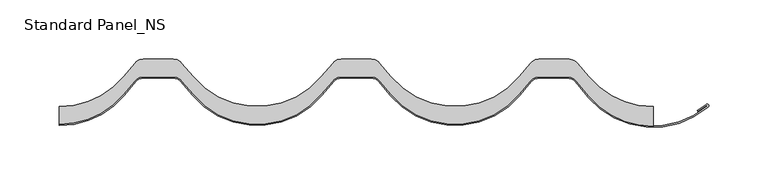
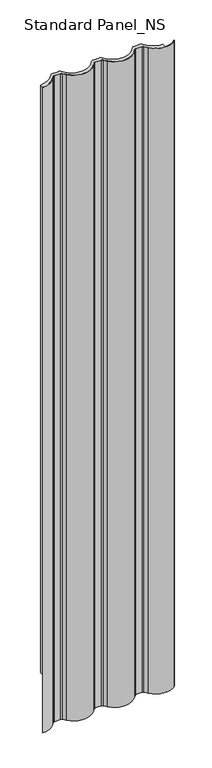
"""IFC4 building model written with IfcOpenShell, lengths in millimetres: proxy geometry, Standard Panel_NS."""

from ifc_helpers import new_model, si_unit, point, frame, frame_2d, origin, origin_with_axes, place, context, project, spatial, polyline, circle_curve, trimmed, segment, composite_curve, outline, extrude, source, transform, mapped, element, save


def standard_panel_ns_909f5662(model_context):
    return source(origin(), model_context, "Body", "SweptSolid", [
        extrude(outline(composite_curve([segment(trimmed(circle_curve(frame_2d((-250.0020002, 15.0757185)), 70.0757185), [point((-196.3208854, -29.9680851))], [point((-250.0000002, -55.0))], False, "CARTESIAN"), True, "CONTINUOUS"), segment(polyline([(-250.0000002, -55.0), (-250.0000002, -40.0)]), True, "CONTINUOUS"), segment(trimmed(circle_curve(frame_2d((-250.0019094, 30.5757185)), 70.5757185), [point((-250.0000002, -40.0))], [point((-195.9377724, -14.7894789))], True, "CARTESIAN"), True, "CONTINUOUS"), segment(polyline([(-195.9377724, -14.7894789), (-186.150623, -3.1256084)]), True, "CONTINUOUS"), segment(trimmed(circle_curve(frame_2d((-179.4477341, -8.75)), 8.75), [point((-186.150623, -3.1256084))], [point((-179.4477341, 0.0))], False, "CARTESIAN"), True, "CONTINUOUS"), segment(polyline([(-179.4477341, 0.0), (-153.8900847, 0.0)]), True, "CONTINUOUS"), segment(trimmed(circle_curve(frame_2d((-153.8900847, -8.75)), 8.75), [point((-153.8900847, 0.0))], [point((-147.1871958, -3.1256084))], False, "CARTESIAN"), True, "CONTINUOUS"), segment(polyline([(-147.1871958, -3.1256084), (-137.4000464, -14.7894789)]), True, "CONTINUOUS"), segment(trimmed(circle_curve(frame_2d((-83.3359094, 30.5757185)), 70.5757185), [point((-137.4000464, -14.7894789))], [point((-29.2717724, -14.7894789))], True, "CARTESIAN"), True, "CONTINUOUS"), segment(polyline([(-29.2717724, -14.7894789), (-19.484623, -3.1256084)]), True, "CONTINUOUS"), segment(trimmed(circle_curve(frame_2d((-12.7817341, -8.75)), 8.75), [point((-19.484623, -3.1256084))], [point((-12.7817341, 0.0))], False, "CARTESIAN"), True, "CONTINUOUS"), segment(polyline([(-12.7817341, 0.0), (12.7759153, 0.0)]), True, "CONTINUOUS"), segment(trimmed(circle_curve(frame_2d((12.7759153, -8.75)), 8.75), [point((12.7759153, 0.0))], [point((19.4788042, -3.1256084))], False, "CARTESIAN"), True, "CONTINUOUS"), segment(polyline([(19.4788042, -3.1256084), (29.2659536, -14.7894789)]), True, "CONTINUOUS"), segment(trimmed(circle_curve(frame_2d((83.3300906, 30.5757185)), 70.5757185), [point((29.2659536, -14.7894789))], [point((137.3942276, -14.7894789))], True, "CARTESIAN"), True, "CONTINUOUS"), segment(polyline([(137.3942276, -14.7894789), (147.181377, -3.1256084)]), True, "CONTINUOUS"), segment(trimmed(circle_curve(frame_2d((153.8842659, -8.75)), 8.75), [point((147.181377, -3.1256084))], [point((153.8842659, 0.0))], False, "CARTESIAN"), True, "CONTINUOUS"), segment(polyline([(153.8842659, 0.0), (179.4425753, 0.0)]), True, "CONTINUOUS"), segment(trimmed(circle_curve(frame_2d((179.4425753, -8.75)), 8.75), [point((179.4425753, 0.0))], [point((186.2053543, -3.1977644))], False, "CARTESIAN"), True, "CONTINUOUS"), segment(polyline([(186.2053543, -3.1977644), (195.93412, -14.7912741)]), True, "CONTINUOUS"), segment(trimmed(circle_curve(frame_2d((249.9967506, 30.5757185)), 70.5757185), [point((195.93412, -14.7912741))], [point((249.9999091, -39.9999999))], True, "CARTESIAN"), True, "CONTINUOUS"), segment(polyline([(249.9999091, -39.9999999), (249.9999091, -56.5627177)]), True, "CONTINUOUS"), segment(trimmed(circle_curve(frame_2d((249.9965208, 13.5131508)), 70.0758685), [point((249.9999091, -56.5627177))], [point((196.315903, -31.5314785))], False, "CARTESIAN"), True, "CONTINUOUS"), segment(polyline([(196.315903, -31.5314785), (185.3078486, -18.412952)]), True, "CONTINUOUS"), segment(trimmed(circle_curve(frame_2d((177.9886197, -24.5546837)), 9.5546837), [point((185.3078486, -18.412952))], [point((177.9886197, -15.0))], True, "CARTESIAN"), True, "CONTINUOUS"), segment(polyline([(177.9886197, -15.0), (153.8841751, -15.0)]), True, "CONTINUOUS"), segment(trimmed(circle_curve(frame_2d((153.8841751, -24.25)), 9.25), [point((153.8841751, -15.0))], [point((146.798264, -18.3042146))], True, "CARTESIAN"), True, "CONTINUOUS"), segment(polyline([(146.798264, -18.3042146), (137.0111146, -29.9680851)]), True, "CONTINUOUS"), segment(trimmed(circle_curve(frame_2d((83.3299998, 15.0757185)), 70.0757185), [point((137.0111146, -29.9680851))], [point((29.6488851, -29.9680851))], False, "CARTESIAN"), True, "CONTINUOUS"), segment(polyline([(29.6488851, -29.9680851), (19.8617357, -18.3042146)]), True, "CONTINUOUS"), segment(trimmed(circle_curve(frame_2d((12.7758246, -24.25)), 9.25), [point((19.8617357, -18.3042146))], [point((12.7758246, -15.0))], True, "CARTESIAN"), True, "CONTINUOUS"), segment(polyline([(12.7758246, -15.0), (-12.7818249, -15.0)]), True, "CONTINUOUS"), segment(trimmed(circle_curve(frame_2d((-12.7818249, -24.25)), 9.25), [point((-12.7818249, -15.0))], [point((-19.867736, -18.3042146))], True, "CARTESIAN"), True, "CONTINUOUS"), segment(polyline([(-19.867736, -18.3042146), (-29.6548854, -29.9680851)]), True, "CONTINUOUS"), segment(trimmed(circle_curve(frame_2d((-83.3360002, 15.0757185)), 70.0757185), [point((-29.6548854, -29.9680851))], [point((-137.0171149, -29.9680851))], False, "CARTESIAN"), True, "CONTINUOUS"), segment(polyline([(-137.0171149, -29.9680851), (-146.8042643, -18.3042146)]), True, "CONTINUOUS"), segment(trimmed(circle_curve(frame_2d((-153.8901754, -24.25)), 9.25), [point((-146.8042643, -18.3042146))], [point((-153.8901754, -15.0))], True, "CARTESIAN"), True, "CONTINUOUS"), segment(polyline([(-153.8901754, -15.0), (-179.4478249, -15.0)]), True, "CONTINUOUS"), segment(trimmed(circle_curve(frame_2d((-179.4478249, -24.25)), 9.25), [point((-179.4478249, -15.0))], [point((-186.533736, -18.3042146))], True, "CARTESIAN"), True, "CONTINUOUS"), segment(polyline([(-186.533736, -18.3042146), (-196.3208854, -29.9680851)]), True, "CONTINUOUS")], self_intersect=False)), origin_with_axes(), (0.0, 0.0, 1.0), 2527.968552),
        extrude(outline(composite_curve([segment(trimmed(circle_curve(frame_2d((-250.0020002, 15.0757185)), 71.0757185), [point((-195.5548409, -30.6108727))], [point((-250.0000002, -56.0))], False, "CARTESIAN"), True, "CONTINUOUS"), segment(polyline([(-250.0000002, -56.0), (-250.0000002, -55.0)]), True, "CONTINUOUS"), segment(trimmed(circle_curve(frame_2d((-250.0020002, 15.0757185)), 70.0757185), [point((-250.0000002, -55.0))], [point((-196.3208854, -29.9680851))], True, "CARTESIAN"), True, "CONTINUOUS"), segment(polyline([(-196.3208854, -29.9680851), (-186.533736, -18.3042146)]), True, "CONTINUOUS"), segment(trimmed(circle_curve(frame_2d((-179.4478249, -24.25)), 9.25), [point((-186.533736, -18.3042146))], [point((-179.4478249, -15.0))], False, "CARTESIAN"), True, "CONTINUOUS"), segment(polyline([(-179.4478249, -15.0), (-153.8901754, -15.0)]), True, "CONTINUOUS"), segment(trimmed(circle_curve(frame_2d((-153.8901754, -24.25)), 9.25), [point((-153.8901754, -15.0))], [point((-146.8042643, -18.3042146))], False, "CARTESIAN"), True, "CONTINUOUS"), segment(polyline([(-146.8042643, -18.3042146), (-137.0171149, -29.9680851)]), True, "CONTINUOUS"), segment(trimmed(circle_curve(frame_2d((-83.3360002, 15.0757185)), 70.0757185), [point((-137.0171149, -29.9680851))], [point((-29.6548854, -29.9680851))], True, "CARTESIAN"), True, "CONTINUOUS"), segment(polyline([(-29.6548854, -29.9680851), (-19.867736, -18.3042146)]), True, "CONTINUOUS"), segment(trimmed(circle_curve(frame_2d((-12.7818249, -24.25)), 9.25), [point((-19.867736, -18.3042146))], [point((-12.7818249, -15.0))], False, "CARTESIAN"), True, "CONTINUOUS"), segment(polyline([(-12.7818249, -15.0), (12.7758246, -15.0)]), True, "CONTINUOUS"), segment(trimmed(circle_curve(frame_2d((12.7758246, -24.25)), 9.25), [point((12.7758246, -15.0))], [point((19.8617357, -18.3042146))], False, "CARTESIAN"), True, "CONTINUOUS"), segment(polyline([(19.8617357, -18.3042146), (29.6488851, -29.9680851)]), True, "CONTINUOUS"), segment(trimmed(circle_curve(frame_2d((83.3299998, 15.0757185)), 70.0757185), [point((29.6488851, -29.9680851))], [point((137.0111146, -29.9680851))], True, "CARTESIAN"), True, "CONTINUOUS"), segment(polyline([(137.0111146, -29.9680851), (146.798264, -18.3042146)]), True, "CONTINUOUS"), segment(trimmed(circle_curve(frame_2d((153.8841751, -24.25)), 9.25), [point((146.798264, -18.3042146))], [point((153.8841751, -15.0))], False, "CARTESIAN"), True, "CONTINUOUS"), segment(polyline([(153.8841751, -15.0), (177.9886197, -15.0)]), True, "CONTINUOUS"), segment(trimmed(circle_curve(frame_2d((177.9886197, -24.5546837)), 9.5546837), [point((177.9886197, -15.0))], [point((185.3078486, -18.412952))], False, "CARTESIAN"), True, "CONTINUOUS"), segment(polyline([(185.3078486, -18.412952), (196.315903, -31.5314785)]), True, "CONTINUOUS"), segment(trimmed(circle_curve(frame_2d((249.9965208, 13.5131508)), 70.0758685), [point((196.315903, -31.5314785))], [point((295.7576614, -39.5579841))], True, "CARTESIAN"), True, "CONTINUOUS"), segment(trimmed(circle_curve(frame_2d((295.5107918, -39.3124043)), 0.3482155), [point((295.7576614, -39.5579841))], [point((295.2774083, -39.0539742))], True, "CARTESIAN"), True, "CONTINUOUS"), segment(polyline([(295.2774083, -39.0539742), (287.7639542, -44.2869139), (287.1924343, -43.4663257), (294.6709925, -38.2576901)]), True, "CONTINUOUS"), segment(trimmed(circle_curve(frame_2d((295.5107918, -39.3124043)), 1.3482155), [point((294.6709925, -38.2576901))], [point((296.4302846, -40.2984155))], False, "CARTESIAN"), True, "CONTINUOUS"), segment(trimmed(circle_curve(frame_2d((249.9965208, 13.5131508)), 71.0758685), [point((296.4302846, -40.2984155))], [point((195.5498673, -32.1742765))], False, "CARTESIAN"), True, "CONTINUOUS"), segment(polyline([(195.5498673, -32.1742765), (184.5418129, -19.05575)]), True, "CONTINUOUS"), segment(trimmed(circle_curve(frame_2d((177.9886197, -24.5546837)), 8.5546837), [point((184.5418129, -19.05575))], [point((177.9886197, -16.0))], True, "CARTESIAN"), True, "CONTINUOUS"), segment(polyline([(177.9886197, -16.0), (153.8841751, -16.0)]), True, "CONTINUOUS"), segment(trimmed(circle_curve(frame_2d((153.8841751, -24.25)), 8.25), [point((153.8841751, -16.0))], [point((147.5643085, -18.9470022))], True, "CARTESIAN"), True, "CONTINUOUS"), segment(polyline([(147.5643085, -18.9470022), (137.7771591, -30.6108727)]), True, "CONTINUOUS"), segment(trimmed(circle_curve(frame_2d((83.3299998, 15.0757185)), 71.0757185), [point((137.7771591, -30.6108727))], [point((28.8828406, -30.6108727))], False, "CARTESIAN"), True, "CONTINUOUS"), segment(polyline([(28.8828406, -30.6108727), (19.0956912, -18.9470022)]), True, "CONTINUOUS"), segment(trimmed(circle_curve(frame_2d((12.7758246, -24.25)), 8.25), [point((19.0956912, -18.9470022))], [point((12.7758246, -16.0))], True, "CARTESIAN"), True, "CONTINUOUS"), segment(polyline([(12.7758246, -16.0), (-12.7818249, -16.0)]), True, "CONTINUOUS"), segment(trimmed(circle_curve(frame_2d((-12.7818249, -24.25)), 8.25), [point((-12.7818249, -16.0))], [point((-19.1016915, -18.9470022))], True, "CARTESIAN"), True, "CONTINUOUS"), segment(polyline([(-19.1016915, -18.9470022), (-28.8888409, -30.6108727)]), True, "CONTINUOUS"), segment(trimmed(circle_curve(frame_2d((-83.3360002, 15.0757185)), 71.0757185), [point((-28.8888409, -30.6108727))], [point((-137.7831594, -30.6108727))], False, "CARTESIAN"), True, "CONTINUOUS"), segment(polyline([(-137.7831594, -30.6108727), (-147.5703088, -18.9470022)]), True, "CONTINUOUS"), segment(trimmed(circle_curve(frame_2d((-153.8901754, -24.25)), 8.25), [point((-147.5703088, -18.9470022))], [point((-153.8901754, -16.0))], True, "CARTESIAN"), True, "CONTINUOUS"), segment(polyline([(-153.8901754, -16.0), (-179.4478249, -16.0)]), True, "CONTINUOUS"), segment(trimmed(circle_curve(frame_2d((-179.4478249, -24.25)), 8.25), [point((-179.4478249, -16.0))], [point((-185.7676915, -18.9470022))], True, "CARTESIAN"), True, "CONTINUOUS"), segment(polyline([(-185.7676915, -18.9470022), (-195.5548409, -30.6108727)]), True, "CONTINUOUS")], self_intersect=False)), frame((0.0, 0.0, -250.0), z_axis=(0.0, 0.0, 1.0), x_axis=(1.0, 0.0, 0.0)), (0.0, 0.0, 1.0), 2777.968552),
    ])


if __name__ == "__main__":
    model = new_model("IFC4")
    model_context = context("Model", 3, world=origin())
    ifc_project = project(units=[si_unit("LENGTHUNIT", "METRE", prefix="MILLI")], contexts=[model_context])
    site = spatial("IfcSite", under=ifc_project)
    building = spatial("IfcBuilding", under=site)
    placement = place(None, origin())
    standard_panel_ns_shape = standard_panel_ns_909f5662(model_context)
    element("IfcBuildingElementProxy", 1, Name="Standard Panel_NS", ObjectType="Standard Panel_NS", at=placement, inside=building, context=model_context, shape_type="MappedRepresentation", body=[
        mapped(standard_panel_ns_shape, transform((0.0, 0.0, 0.0), x_axis=(1.0, 0.0, 0.0), y_axis=(0.0, 1.0, 0.0), z_axis=(0.0, 0.0, 1.0))),
    ])
    save(model, "model.ifc")
